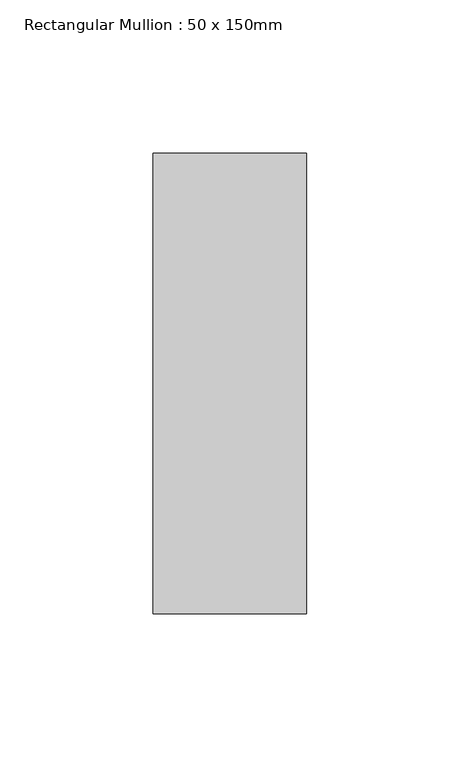
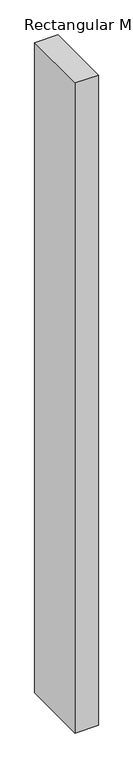
"""IFC4 building model written with IfcOpenShell, lengths in millimetres: member geometry, Rectangular Mullion : 50 x 150mm."""

from ifc_helpers import new_model, si_unit, frame, origin, place, context, project, spatial, polyline, outline, extrude, source, transform, mapped, element, save


def rectangular_mullion_50_x_150mm_a8fd65a9(model_context):
    return source(origin(), model_context, "Body", "SweptSolid", [
        extrude(outline(polyline([(25.0, 75.0), (25.0, -75.0), (-25.0, -75.0), (-25.0, 75.0), (25.0, 75.0)])), frame((0.0, 0.0, -1475.5124378), z_axis=(0.0, 0.0, 1.0), x_axis=(1.0, 0.0, 0.0)), (0.0, 0.0, 1.0), 1475.5124378),
    ])


if __name__ == "__main__":
    model = new_model("IFC4")
    model_context = context("Model", 3, world=origin())
    ifc_project = project(units=[si_unit("LENGTHUNIT", "METRE", prefix="MILLI")], contexts=[model_context])
    site = spatial("IfcSite", under=ifc_project)
    building = spatial("IfcBuilding", under=site)
    placement = place(None, origin())
    rectangular_mullion_50_x_150mm_shape = rectangular_mullion_50_x_150mm_a8fd65a9(model_context)
    element("IfcMember", 1, ObjectType="Rectangular Mullion : 50 x 150mm", at=placement, inside=building, context=model_context, shape_type="MappedRepresentation", body=[
        mapped(rectangular_mullion_50_x_150mm_shape, transform((0.0, 0.0, 0.0), x_axis=(1.0, 0.0, 0.0), y_axis=(0.0, 1.0, 0.0), z_axis=(0.0, 0.0, 1.0))),
    ])
    save(model, "model.ifc")
